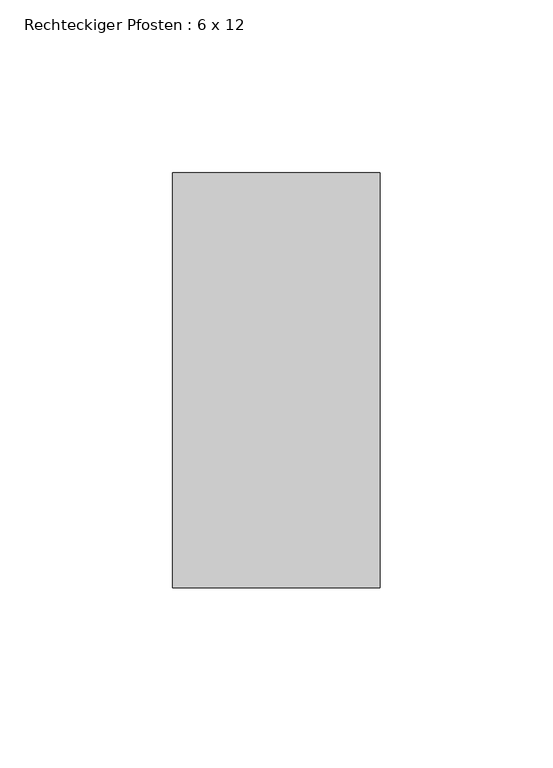
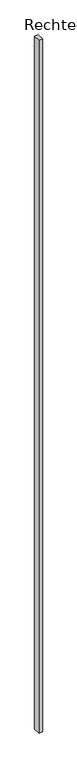
"""IFC4 building model written with IfcOpenShell, lengths in millimetres: member geometry, Rechteckiger Pfosten : 6 x 12."""

from ifc_helpers import new_model, si_unit, frame, origin, place, context, project, spatial, polyline, outline, extrude, source, transform, mapped, element, save


def rechteckiger_pfosten_6_x_12_301eb382(model_context):
    return source(origin(), model_context, "Body", "SweptSolid", [
        extrude(outline(polyline([(30.0, 60.0), (30.0, -60.0), (-30.0, -60.0), (-30.0, 60.0), (30.0, 60.0)])), frame((0.0, 0.0, -12404.4852111), z_axis=(0.0, 0.0, 1.0), x_axis=(1.0, 0.0, 0.0)), (0.0, 0.0, 1.0), 12404.4852111),
    ])


if __name__ == "__main__":
    model = new_model("IFC4")
    model_context = context("Model", 3, world=origin())
    ifc_project = project(units=[si_unit("LENGTHUNIT", "METRE", prefix="MILLI")], contexts=[model_context])
    site = spatial("IfcSite", under=ifc_project)
    building = spatial("IfcBuilding", under=site)
    placement = place(None, origin())
    rechteckiger_pfosten_6_x_12_shape = rechteckiger_pfosten_6_x_12_301eb382(model_context)
    element("IfcMember", 1, ObjectType="Rechteckiger Pfosten : 6 x 12", at=placement, inside=building, context=model_context, shape_type="MappedRepresentation", body=[
        mapped(rechteckiger_pfosten_6_x_12_shape, transform((0.0, 0.0, 0.0), x_axis=(1.0, 0.0, 0.0), y_axis=(0.0, 1.0, 0.0), z_axis=(0.0, 0.0, 1.0))),
    ])
    save(model, "model.ifc")
